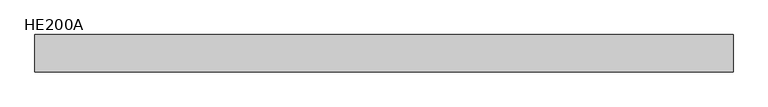
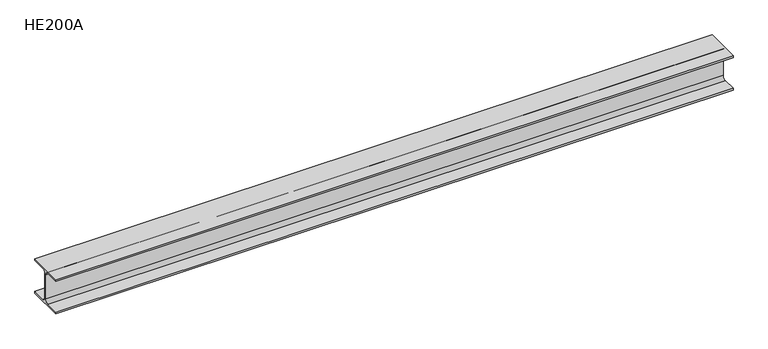
"""IFC4 building model written with IfcOpenShell, lengths in millimetres: beam geometry, HE200A."""

from ifc_helpers import new_model, si_unit, point, frame, frame_2d, origin, place, context, project, spatial, polyline, circle_curve, trimmed, segment, composite_curve, outline, extrude, source, transform, mapped, element, save


def he200a_5012ac3a(model_context):
    return source(origin(), model_context, "Body", "SweptSolid", [
        extrude(outline(composite_curve([segment(polyline([(100.0, -90.0), (100.0, -100.0), (-100.0, -100.0), (-100.0, -90.0), (-24.0, -90.0)]), True, "CONTINUOUS"), segment(trimmed(circle_curve(frame_2d((-24.0, -70.0)), 20.0), [point((-24.0, -90.0))], [point((-4.0, -70.0))], True, "CARTESIAN"), True, "CONTINUOUS"), segment(polyline([(-4.0, -70.0), (-4.0, 70.0)]), True, "CONTINUOUS"), segment(trimmed(circle_curve(frame_2d((-24.0, 70.0)), 20.0), [point((-4.0, 70.0))], [point((-24.0, 90.0))], True, "CARTESIAN"), True, "CONTINUOUS"), segment(polyline([(-24.0, 90.0), (-100.0, 90.0), (-100.0, 100.0), (100.0, 100.0), (100.0, 90.0), (24.0, 90.0)]), True, "CONTINUOUS"), segment(trimmed(circle_curve(frame_2d((24.0, 70.0)), 20.0), [point((24.0, 90.0))], [point((4.0, 70.0))], True, "CARTESIAN"), True, "CONTINUOUS"), segment(polyline([(4.0, 70.0), (4.0, -70.0)]), True, "CONTINUOUS"), segment(trimmed(circle_curve(frame_2d((24.0, -70.0)), 20.0), [point((4.0, -70.0))], [point((24.0, -90.0))], True, "CARTESIAN"), True, "CONTINUOUS"), segment(polyline([(24.0, -90.0), (100.0, -90.0)]), True, "CONTINUOUS")], self_intersect=False)), frame((-1911.5, 0.0, 0.0), z_axis=(1.0, 0.0, 0.0), x_axis=(0.0, 1.0, 0.0)), (0.0, 0.0, 1.0), 3721.0),
    ])


if __name__ == "__main__":
    model = new_model("IFC4")
    model_context = context("Model", 3, world=origin())
    ifc_project = project(units=[si_unit("LENGTHUNIT", "METRE", prefix="MILLI")], contexts=[model_context])
    site = spatial("IfcSite", under=ifc_project)
    building = spatial("IfcBuilding", under=site)
    placement = place(None, origin())
    he200a_shape = he200a_5012ac3a(model_context)
    element("IfcBeam", 1, ObjectType="HE200A", at=placement, inside=building, context=model_context, shape_type="MappedRepresentation", body=[
        mapped(he200a_shape, transform((0.0, 0.0, 0.0), x_axis=(1.0, 0.0, 0.0), y_axis=(0.0, 1.0, 0.0), z_axis=(0.0, 0.0, 1.0))),
    ])
    save(model, "model.ifc")
